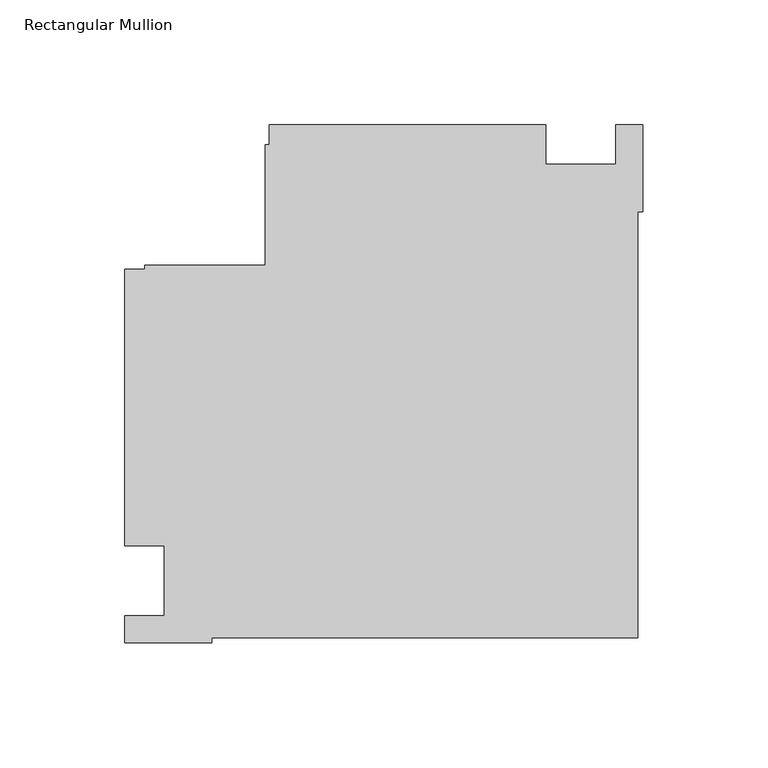
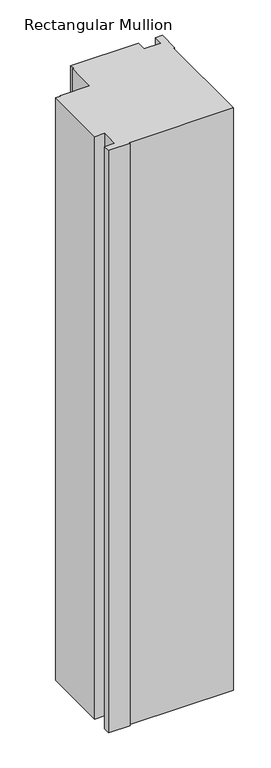
"""IFC4 building model written with IfcOpenShell, lengths in millimetres: member geometry, Rectangular Mullion."""

from ifc_helpers import new_model, si_unit, frame, origin, place, context, project, spatial, polyline, outline, extrude, source, transform, mapped, element, save


def rectangular_mullion_ac837ab9(model_context):
    return source(origin(), model_context, "Body", "SweptSolid", [
        extrude(outline(polyline([(-38.9998882, 182.9914777), (-38.9998882, 166.9914777), (-10.996264, 166.9914777), (-10.996264, 183.0000001), (0.0, 183.0000001), (0.0, 147.9999738), (-2.0852141, 147.9999738), (-2.0852141, -22.9147834), (-172.9999713, -22.9147834), (-172.9999713, -25.0), (-207.9999976, -25.0), (-207.9999976, -13.9997041), (-191.9999976, -13.9997041), (-191.9999976, 13.9998907), (-207.9999976, 13.9998907), (-207.9999976, 125.0000025), (-200.0, 125.0000025), (-200.0, 126.6000025), (-151.6, 126.6000025), (-151.6, 175.0000025), (-150.0, 175.0000025), (-150.0, 182.9914777), (-38.9998882, 182.9914777)])), frame((0.0, 0.0, -1006.6595328), z_axis=(0.0, 0.0, 1.0), x_axis=(1.0, 0.0, 0.0)), (0.0, 0.0, 1.0), 1006.6595328),
    ])


if __name__ == "__main__":
    model = new_model("IFC4")
    model_context = context("Model", 3, world=origin())
    ifc_project = project(units=[si_unit("LENGTHUNIT", "METRE", prefix="MILLI")], contexts=[model_context])
    site = spatial("IfcSite", under=ifc_project)
    building = spatial("IfcBuilding", under=site)
    placement = place(None, origin())
    rectangular_mullion_shape = rectangular_mullion_ac837ab9(model_context)
    element("IfcMember", 1, ObjectType="Rectangular Mullion", at=placement, inside=building, context=model_context, shape_type="MappedRepresentation", body=[
        mapped(rectangular_mullion_shape, transform((0.0, 0.0, 0.0), x_axis=(1.0, 0.0, 0.0), y_axis=(0.0, 1.0, 0.0), z_axis=(0.0, 0.0, 1.0))),
    ])
    save(model, "model.ifc")
